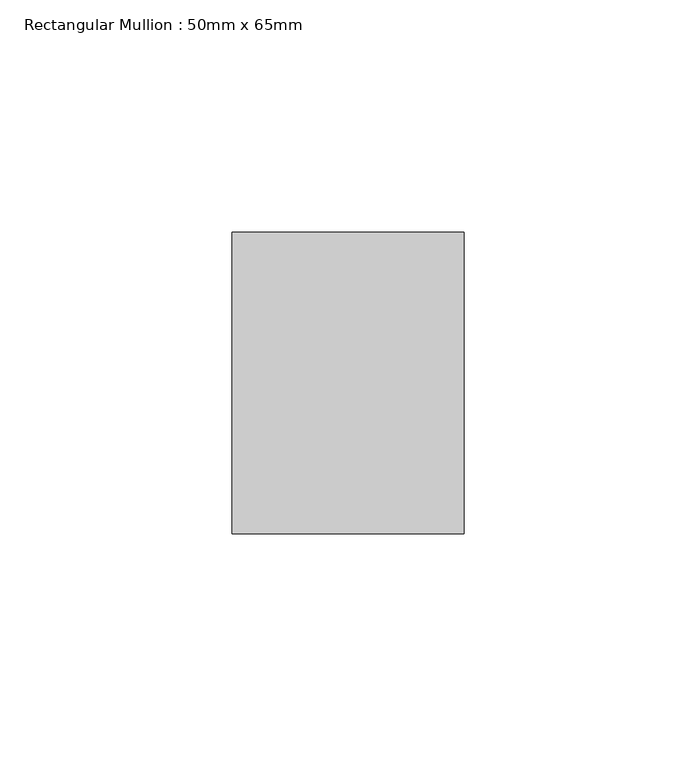
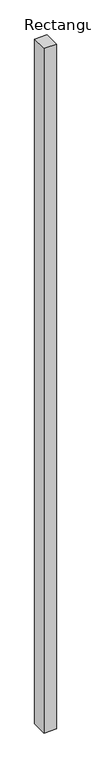
"""IFC4 building model written with IfcOpenShell, lengths in millimetres: member geometry, Rectangular Mullion : 50mm x 65mm."""

import ifcopenshell
import ifcopenshell.guid

model = None  # the IFC model being written
_history = None  # IfcOwnerHistory: only IFC2X3 demands one
_inside = {}  # id of a spatial element -> (the spatial element, [elements in it])
_under = {}  # id of a project, library or spatial element -> (it, [spatial elements below it])
_declared = {}  # id of a project -> (the project, [libraries it declares])
_typed = {}  # id of a type object -> (the type object, [elements of that type])
_made_of = {}  # id of a material, layer set ... -> (it, [elements and type objects made of it])


def new_model(schema):
    """Start an empty IFC model of exactly this schema.

    Asked for "IFC4X3", IfcOpenShell would pick the latest addendum, in which some entities
    have other attributes; the version numbers below select the first issue.
    IFC2X3 requires an IfcOwnerHistory on every rooted entity: one is made here for all.
    """
    global model, _history
    if schema == "IFC4X3":
        model = ifcopenshell.file(schema_version=(4, 3, 0, 0))
    else:
        model = ifcopenshell.file(schema=schema)
    _inside.clear()
    _under.clear()
    _declared.clear()
    _typed.clear()
    _made_of.clear()
    _history = None
    if model.schema == "IFC2X3":
        org = make("IfcOrganization", Name="unknown")
        user = make(
            "IfcPersonAndOrganization",
            ThePerson=make("IfcPerson", FamilyName="unknown"),
            TheOrganization=org,
        )
        app = make(
            "IfcApplication",
            ApplicationDeveloper=org,
            Version="unknown",
            ApplicationFullName="unknown",
            ApplicationIdentifier="unknown",
        )
        _history = make(
            "IfcOwnerHistory",
            OwningUser=user,
            OwningApplication=app,
            ChangeAction="ADDED",
            CreationDate=0,
        )
    return model


def make(cls, **values):
    """One entity of the class cls with the attributes given. An attribute that is None is left unset."""
    return model.create_entity(
        cls, **{name: value for name, value in values.items() if value is not None}
    )


def rooted(cls, **values):
    """An entity with a GlobalId (a new one), such as an element, a storey or a relation."""
    return make(cls, GlobalId=ifcopenshell.guid.new(), OwnerHistory=_history, **values)


def si_unit(unit_type, name, prefix=None):
    """IfcSIUnit, for example si_unit("LENGTHUNIT", "METRE", prefix="MILLI")."""
    return make("IfcSIUnit", UnitType=unit_type, Prefix=prefix, Name=name)


def assignment(units):
    """IfcUnitAssignment: the units of a project."""
    return None if units is None else make("IfcUnitAssignment", Units=units)


def point(xyz):
    """IfcCartesianPoint."""
    return None if xyz is None else make("IfcCartesianPoint", Coordinates=xyz)


def direction(xyz):
    """IfcDirection."""
    return None if xyz is None else make("IfcDirection", DirectionRatios=xyz)


def frame(location, z_axis=None, x_axis=None):
    """IfcAxis2Placement3D, a coordinate frame: its origin and axes. An axis left out is left unset."""
    return make(
        "IfcAxis2Placement3D",
        Location=point(location),
        Axis=direction(z_axis),
        RefDirection=direction(x_axis),
    )


def origin():
    """The frame at (0, 0, 0) with its axes left unset."""
    return frame((0.0, 0.0, 0.0))


def place(relative_to, where):
    """IfcLocalPlacement: puts the frame where relative to a parent placement (None: the world)."""
    return make(
        "IfcLocalPlacement", PlacementRelTo=relative_to, RelativePlacement=where
    )


def context(
    kind, dimensions, precision=None, world=None, true_north=None, identifier=None
):
    """IfcGeometricRepresentationContext, for example the 3D "Model" context."""
    return make(
        "IfcGeometricRepresentationContext",
        ContextIdentifier=identifier,
        ContextType=kind,
        CoordinateSpaceDimension=dimensions,
        Precision=precision,
        WorldCoordinateSystem=world,
        TrueNorth=true_north,
    )


def project(units=None, contexts=None):
    """IfcProject with its units and contexts."""
    return rooted(
        "IfcProject",
        Name="project",
        RepresentationContexts=contexts,
        UnitsInContext=assignment(units),
    )


def spatial(cls, under=None, at=None, **own):
    """A site, building, storey or space (cls), placed at a placement, below another one or the project."""
    s = rooted(cls, ObjectPlacement=at, **own)
    if under is not None:
        _under.setdefault(under.id(), (under, []))[1].append(s)
    return s


def polyline(points):
    """IfcPolyline through the points."""
    return make("IfcPolyline", Points=[point(p) for p in points])


def outline(outer, holes=None, kind="AREA"):
    """IfcArbitraryClosedProfileDef: a profile drawn as a closed curve; with holes, ...WithVoids."""
    if holes is None:
        return make("IfcArbitraryClosedProfileDef", ProfileType=kind, OuterCurve=outer)
    return make(
        "IfcArbitraryProfileDefWithVoids",
        ProfileType=kind,
        OuterCurve=outer,
        InnerCurves=holes,
    )


def extrude(swept, where, along, depth):
    """IfcExtrudedAreaSolid: the profile swept, set in the frame where, extruded along a direction by depth."""
    return make(
        "IfcExtrudedAreaSolid",
        SweptArea=swept,
        Position=where,
        ExtrudedDirection=direction(along),
        Depth=depth,
    )


def shape(context_of_items, identifier, shape_type, items):
    """IfcShapeRepresentation: the items that make up one representation, for example the "Body"."""
    return make(
        "IfcShapeRepresentation",
        ContextOfItems=context_of_items,
        RepresentationIdentifier=identifier,
        RepresentationType=shape_type,
        Items=items,
    )


def source(mapping_origin, context_of_items, identifier, shape_type, items):
    """IfcRepresentationMap: a shape defined once, which mapped items show again and again."""
    return make(
        "IfcRepresentationMap",
        MappingOrigin=mapping_origin,
        MappedRepresentation=shape(context_of_items, identifier, shape_type, items),
    )


def transform(
    local_origin,
    x_axis=None,
    y_axis=None,
    z_axis=None,
    scale=None,
    scale2=None,
    scale3=None,
    uniform=True,
):
    """IfcCartesianTransformationOperator3D, or its non-uniform kind. x_axis, y_axis, z_axis: its Axis1, 2, 3."""
    if uniform:
        return make(
            "IfcCartesianTransformationOperator3D",
            Axis1=direction(x_axis),
            Axis2=direction(y_axis),
            LocalOrigin=point(local_origin),
            Scale=scale,
            Axis3=direction(z_axis),
        )
    return make(
        "IfcCartesianTransformationOperator3DnonUniform",
        Axis1=direction(x_axis),
        Axis2=direction(y_axis),
        LocalOrigin=point(local_origin),
        Scale=scale,
        Axis3=direction(z_axis),
        Scale2=scale2,
        Scale3=scale3,
    )


def mapped(mapping_source, mapping_target):
    """IfcMappedItem: shows the shape of a source again, moved by a transform."""
    return make(
        "IfcMappedItem", MappingSource=mapping_source, MappingTarget=mapping_target
    )


def made_of(thing, what):
    """Note that an element or type object is made of a material, layer set ...; save() writes the relation."""
    if what is not None:
        _made_of.setdefault(what.id(), (what, []))[1].append(thing)
    return thing


def element(
    cls,
    number,
    at=None,
    inside=None,
    cuts=None,
    type_object=None,
    material=None,
    context=None,
    identifier="Body",
    shape_type=None,
    held_by="IfcProductDefinitionShape",
    body=None,
    shapes=None,
    **own,
):
    """One element of the class cls, such as IfcWall. Its Tag is "e" and its number.

    at: its placement. inside: the storey or other place that contains it. cuts: it is an
    opening in that element (IfcRelVoidsElement). A single representation is given by context,
    identifier, shape_type and body (its items); several are given by shapes. held_by: the class
    of the entity that holds the representations. save() writes the other relations.
    """
    e = rooted(cls, Tag="e%d" % number, ObjectPlacement=at, **own)
    if body is not None:
        shapes = [shape(context, identifier, shape_type, body)]
    if shapes is not None:
        e.Representation = make(held_by, Representations=shapes)
    if inside is not None:
        _inside.setdefault(inside.id(), (inside, []))[1].append(e)
    if cuts is not None:
        rooted(
            "IfcRelVoidsElement", RelatingBuildingElement=cuts, RelatedOpeningElement=e
        )
    if type_object is not None:
        _typed.setdefault(type_object.id(), (type_object, []))[1].append(e)
    return made_of(e, material)


def aggregate(whole, parts):
    """IfcRelAggregates: a whole, such as a stair, and the parts it consists of."""
    return rooted("IfcRelAggregates", RelatingObject=whole, RelatedObjects=parts)


def save(model, path):
    """Write the relations noted so far, then the file.

    IfcRelAggregates (storeys below a building ...), IfcRelContainedInSpatialStructure (elements
    in a storey), IfcRelDefinesByType, IfcRelAssociatesMaterial and IfcRelDeclares: one each for
    every whole, place, type object, material and project.
    """
    for whole, parts in _under.values():
        aggregate(whole, parts)
    for where, things in _inside.values():
        rooted(
            "IfcRelContainedInSpatialStructure",
            RelatedElements=things,
            RelatingStructure=where,
        )
    for kind, things in _typed.values():
        rooted("IfcRelDefinesByType", RelatedObjects=things, RelatingType=kind)
    for what, things in _made_of.values():
        rooted("IfcRelAssociatesMaterial", RelatedObjects=things, RelatingMaterial=what)
    for by, libraries in _declared.values():
        rooted("IfcRelDeclares", RelatingContext=by, RelatedDefinitions=libraries)
    model.write(path)


def rectangular_mullion_50mm_x_65mm_cc2babb4(model_context):
    return source(origin(), model_context, "Body", "SweptSolid", [
        extrude(outline(polyline([(25.0, 32.5), (25.0, -32.5), (-25.0, -32.5), (-25.0, 32.5), (25.0, 32.5)])), frame((0.0, 0.0, -2924.9802045), z_axis=(0.0, 0.0, 1.0), x_axis=(1.0, 0.0, 0.0)), (0.0, 0.0, 1.0), 2924.9802045),
    ])


if __name__ == "__main__":
    model = new_model("IFC4")
    model_context = context("Model", 3, world=origin())
    ifc_project = project(units=[si_unit("LENGTHUNIT", "METRE", prefix="MILLI")], contexts=[model_context])
    site = spatial("IfcSite", under=ifc_project)
    building = spatial("IfcBuilding", under=site)
    placement = place(None, origin())
    rectangular_mullion_50mm_x_65mm_shape = rectangular_mullion_50mm_x_65mm_cc2babb4(model_context)
    element("IfcMember", 1, ObjectType="Rectangular Mullion : 50mm x 65mm", at=placement, inside=building, context=model_context, shape_type="MappedRepresentation", body=[
        mapped(rectangular_mullion_50mm_x_65mm_shape, transform((0.0, 0.0, 0.0), x_axis=(1.0, 0.0, 0.0), y_axis=(0.0, 1.0, 0.0), z_axis=(0.0, 0.0, 1.0))),
    ])
    save(model, "model.ifc")
